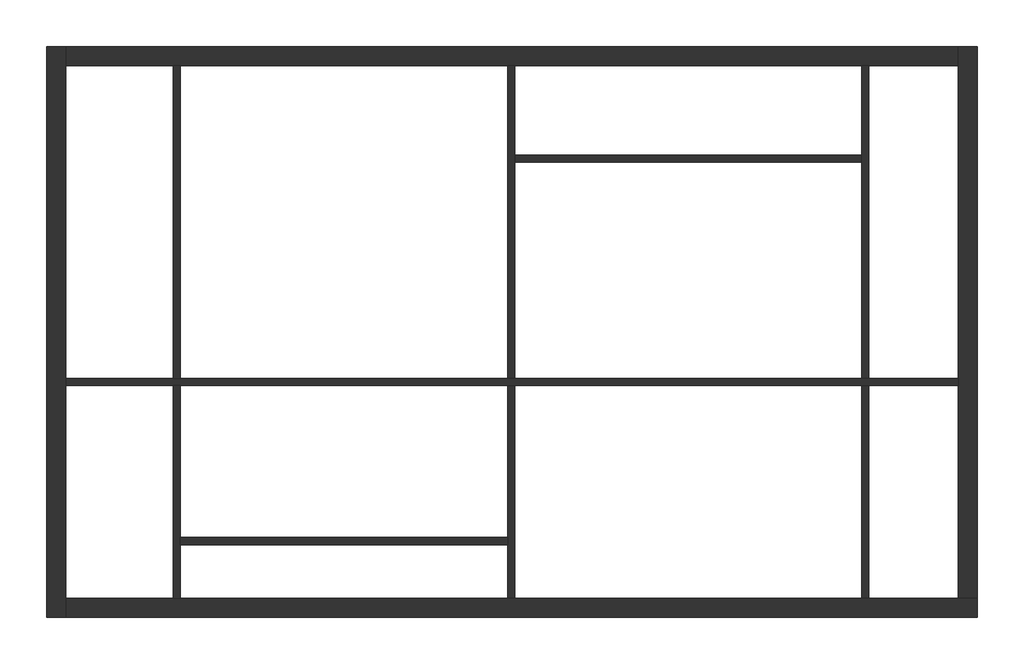
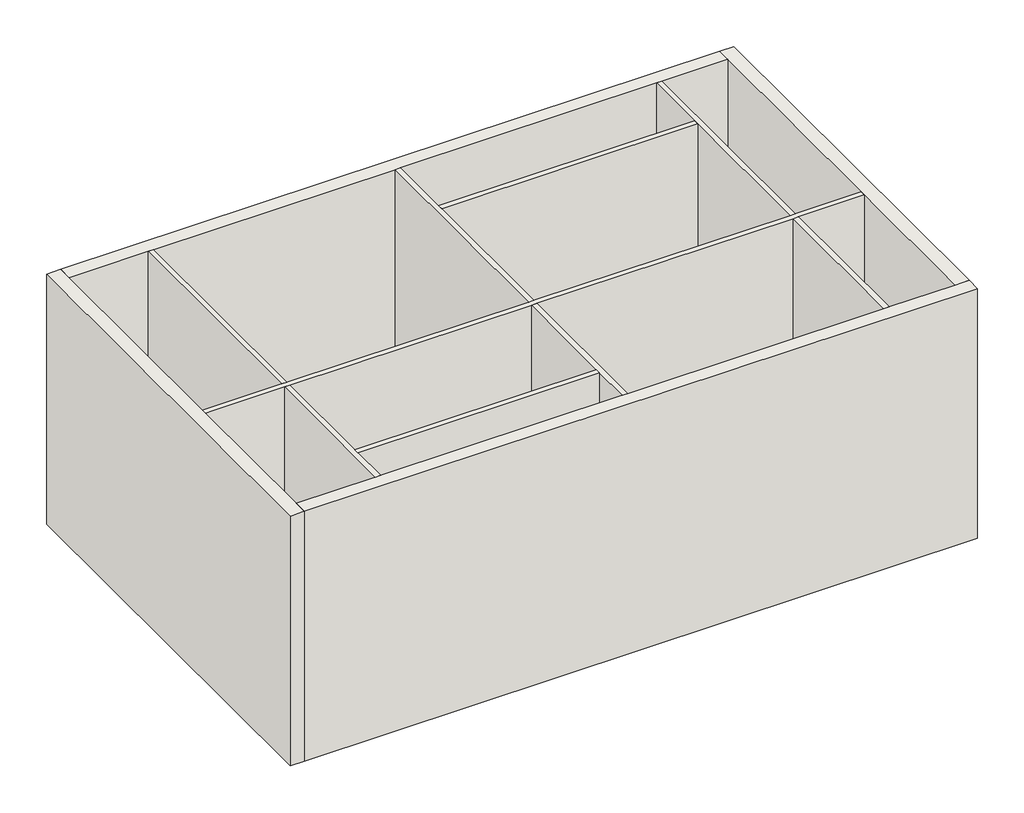
# One storey: 10 walls.
"""IFC4 building model written with IfcOpenShell, lengths in millimetres."""

import ifcopenshell
import ifcopenshell.guid

model = None  # the IFC model being written
_history = None  # IfcOwnerHistory: only IFC2X3 demands one
_inside = {}  # id of a spatial element -> (the spatial element, [elements in it])
_under = {}  # id of a project, library or spatial element -> (it, [spatial elements below it])
_declared = {}  # id of a project -> (the project, [libraries it declares])
_typed = {}  # id of a type object -> (the type object, [elements of that type])
_made_of = {}  # id of a material, layer set ... -> (it, [elements and type objects made of it])


def new_model(schema):
    """Start an empty IFC model of exactly this schema.

    Asked for "IFC4X3", IfcOpenShell would pick the latest addendum, in which some entities
    have other attributes; the version numbers below select the first issue.
    IFC2X3 requires an IfcOwnerHistory on every rooted entity: one is made here for all.
    """
    global model, _history
    if schema == "IFC4X3":
        model = ifcopenshell.file(schema_version=(4, 3, 0, 0))
    else:
        model = ifcopenshell.file(schema=schema)
    _inside.clear()
    _under.clear()
    _declared.clear()
    _typed.clear()
    _made_of.clear()
    _history = None
    if model.schema == "IFC2X3":
        org = make("IfcOrganization", Name="unknown")
        user = make(
            "IfcPersonAndOrganization",
            ThePerson=make("IfcPerson", FamilyName="unknown"),
            TheOrganization=org,
        )
        app = make(
            "IfcApplication",
            ApplicationDeveloper=org,
            Version="unknown",
            ApplicationFullName="unknown",
            ApplicationIdentifier="unknown",
        )
        _history = make(
            "IfcOwnerHistory",
            OwningUser=user,
            OwningApplication=app,
            ChangeAction="ADDED",
            CreationDate=0,
        )
    return model


def make(cls, **values):
    """One entity of the class cls with the attributes given. An attribute that is None is left unset."""
    return model.create_entity(
        cls, **{name: value for name, value in values.items() if value is not None}
    )


def rooted(cls, **values):
    """An entity with a GlobalId (a new one), such as an element, a storey or a relation."""
    return make(cls, GlobalId=ifcopenshell.guid.new(), OwnerHistory=_history, **values)


def si_unit(unit_type, name, prefix=None):
    """IfcSIUnit, for example si_unit("LENGTHUNIT", "METRE", prefix="MILLI")."""
    return make("IfcSIUnit", UnitType=unit_type, Prefix=prefix, Name=name)


def assignment(units):
    """IfcUnitAssignment: the units of a project."""
    return None if units is None else make("IfcUnitAssignment", Units=units)


def point(xyz):
    """IfcCartesianPoint."""
    return None if xyz is None else make("IfcCartesianPoint", Coordinates=xyz)


def direction(xyz):
    """IfcDirection."""
    return None if xyz is None else make("IfcDirection", DirectionRatios=xyz)


def frame(location, z_axis=None, x_axis=None):
    """IfcAxis2Placement3D, a coordinate frame: its origin and axes. An axis left out is left unset."""
    return make(
        "IfcAxis2Placement3D",
        Location=point(location),
        Axis=direction(z_axis),
        RefDirection=direction(x_axis),
    )


def origin():
    """The frame at (0, 0, 0) with its axes left unset."""
    return frame((0.0, 0.0, 0.0))


def place(relative_to, where):
    """IfcLocalPlacement: puts the frame where relative to a parent placement (None: the world)."""
    return make(
        "IfcLocalPlacement", PlacementRelTo=relative_to, RelativePlacement=where
    )


def context(
    kind, dimensions, precision=None, world=None, true_north=None, identifier=None
):
    """IfcGeometricRepresentationContext, for example the 3D "Model" context."""
    return make(
        "IfcGeometricRepresentationContext",
        ContextIdentifier=identifier,
        ContextType=kind,
        CoordinateSpaceDimension=dimensions,
        Precision=precision,
        WorldCoordinateSystem=world,
        TrueNorth=true_north,
    )


def project(units=None, contexts=None):
    """IfcProject with its units and contexts."""
    return rooted(
        "IfcProject",
        Name="project",
        RepresentationContexts=contexts,
        UnitsInContext=assignment(units),
    )


def spatial(cls, under=None, at=None, **own):
    """A site, building, storey or space (cls), placed at a placement, below another one or the project."""
    s = rooted(cls, ObjectPlacement=at, **own)
    if under is not None:
        _under.setdefault(under.id(), (under, []))[1].append(s)
    return s


def polyline(points):
    """IfcPolyline through the points."""
    return make("IfcPolyline", Points=[point(p) for p in points])


def outline(outer, holes=None, kind="AREA"):
    """IfcArbitraryClosedProfileDef: a profile drawn as a closed curve; with holes, ...WithVoids."""
    if holes is None:
        return make("IfcArbitraryClosedProfileDef", ProfileType=kind, OuterCurve=outer)
    return make(
        "IfcArbitraryProfileDefWithVoids",
        ProfileType=kind,
        OuterCurve=outer,
        InnerCurves=holes,
    )


def extrude(swept, where, along, depth):
    """IfcExtrudedAreaSolid: the profile swept, set in the frame where, extruded along a direction by depth."""
    return make(
        "IfcExtrudedAreaSolid",
        SweptArea=swept,
        Position=where,
        ExtrudedDirection=direction(along),
        Depth=depth,
    )


def faces_of(points, faces, orient=None, outer=None):
    """IfcFace entities. A face is a list of loops; a loop is a list of indices into points, from 0.

    orient and outer hold one flag for each loop. By default every Orientation is true, the
    first loop of a face is its IfcFaceOuterBound and the others are IfcFaceBound.
    """
    made = []
    for i, loops in enumerate(faces):
        bounds = []
        for j, loop in enumerate(loops):
            is_outer = j == 0 if outer is None else outer[i][j]
            bounds.append(
                make(
                    "IfcFaceOuterBound" if is_outer else "IfcFaceBound",
                    Bound=make("IfcPolyLoop", Polygon=[points[k] for k in loop]),
                    Orientation=True if orient is None else orient[i][j],
                )
            )
        made.append(make("IfcFace", Bounds=bounds))
    return made


def faceted_brep(points, faces, orient=None, outer=None, voids=None):
    """IfcFacetedBrep: a solid bounded by flat faces; with voids (closed shells), ...WithVoids."""
    shared = [point(p) for p in points]
    hull = make("IfcClosedShell", CfsFaces=faces_of(shared, faces, orient, outer))
    if voids is None:
        return make("IfcFacetedBrep", Outer=hull)
    return make(
        "IfcFacetedBrepWithVoids",
        Outer=hull,
        Voids=[
            make(cls, CfsFaces=faces_of(shared, fs, o, b)) for cls, fs, o, b in voids
        ],
    )


def shape(context_of_items, identifier, shape_type, items):
    """IfcShapeRepresentation: the items that make up one representation, for example the "Body"."""
    return make(
        "IfcShapeRepresentation",
        ContextOfItems=context_of_items,
        RepresentationIdentifier=identifier,
        RepresentationType=shape_type,
        Items=items,
    )


def made_of(thing, what):
    """Note that an element or type object is made of a material, layer set ...; save() writes the relation."""
    if what is not None:
        _made_of.setdefault(what.id(), (what, []))[1].append(thing)
    return thing


def element(
    cls,
    number,
    at=None,
    inside=None,
    cuts=None,
    type_object=None,
    material=None,
    context=None,
    identifier="Body",
    shape_type=None,
    held_by="IfcProductDefinitionShape",
    body=None,
    shapes=None,
    **own,
):
    """One element of the class cls, such as IfcWall. Its Tag is "e" and its number.

    at: its placement. inside: the storey or other place that contains it. cuts: it is an
    opening in that element (IfcRelVoidsElement). A single representation is given by context,
    identifier, shape_type and body (its items); several are given by shapes. held_by: the class
    of the entity that holds the representations. save() writes the other relations.
    """
    e = rooted(cls, Tag="e%d" % number, ObjectPlacement=at, **own)
    if body is not None:
        shapes = [shape(context, identifier, shape_type, body)]
    if shapes is not None:
        e.Representation = make(held_by, Representations=shapes)
    if inside is not None:
        _inside.setdefault(inside.id(), (inside, []))[1].append(e)
    if cuts is not None:
        rooted(
            "IfcRelVoidsElement", RelatingBuildingElement=cuts, RelatedOpeningElement=e
        )
    if type_object is not None:
        _typed.setdefault(type_object.id(), (type_object, []))[1].append(e)
    return made_of(e, material)


def aggregate(whole, parts):
    """IfcRelAggregates: a whole, such as a stair, and the parts it consists of."""
    return rooted("IfcRelAggregates", RelatingObject=whole, RelatedObjects=parts)


def save(model, path):
    """Write the relations noted so far, then the file.

    IfcRelAggregates (storeys below a building ...), IfcRelContainedInSpatialStructure (elements
    in a storey), IfcRelDefinesByType, IfcRelAssociatesMaterial and IfcRelDeclares: one each for
    every whole, place, type object, material and project.
    """
    for whole, parts in _under.values():
        aggregate(whole, parts)
    for where, things in _inside.values():
        rooted(
            "IfcRelContainedInSpatialStructure",
            RelatedElements=things,
            RelatingStructure=where,
        )
    for kind, things in _typed.values():
        rooted("IfcRelDefinesByType", RelatedObjects=things, RelatingType=kind)
    for what, things in _made_of.values():
        rooted("IfcRelAssociatesMaterial", RelatedObjects=things, RelatingMaterial=what)
    for by, libraries in _declared.values():
        rooted("IfcRelDeclares", RelatingContext=by, RelatedDefinitions=libraries)
    model.write(path)


model = new_model("IFC4")

# Units and contexts
model_context = context("Model", 3, world=origin())
ifc_project = project(units=[si_unit("LENGTHUNIT", "METRE", prefix="MILLI")], contexts=[model_context])

# Site, building, storey
site = spatial("IfcSite", under=ifc_project)
building = spatial("IfcBuilding", under=site)
storey = spatial("IfcBuildingStorey", under=building, Elevation=8000.0)

# Walls
placement = place(None, origin())
element("IfcWall", 1, at=placement, inside=storey, context=model_context, shape_type="Brep", body=[
    faceted_brep([(-3948.8295203, 13550.2038861, 8000.0), (-3948.8295203, 7162.2038861, 8000.0), (-3948.8295203, 7162.2038861, 12000.0), (-3948.8295203, 13550.2038861, 12000.0), (-3734.8295203, 13550.2038861, 8000.0), (-3734.8295203, 13550.2038861, 12000.0), (-3734.8295203, 13336.2038861, 12000.0), (-3734.8295203, 9836.2038861, 12000.0), (-3734.8295203, 9756.2038861, 12000.0), (-3734.8295203, 7376.2038861, 12000.0), (-3734.8295203, 7162.2038861, 12000.0), (-3734.8295203, 7162.2038861, 8000.0), (-3734.8295203, 7376.2038861, 8000.0), (-3734.8295203, 9756.2038861, 8000.0), (-3734.8295203, 9836.2038861, 8000.0), (-3734.8295203, 13336.2038861, 8000.0)], [[[0, 1, 2, 3]], [[4, 5, 6, 7, 8, 9, 10, 11, 12, 13, 14, 15]], [[1, 0, 4, 15, 14, 13, 12, 11]], [[3, 2, 10, 9, 8, 7, 6, 5]], [[0, 3, 5, 4]], [[2, 1, 11, 10]]]),
])
element("IfcWall", 2, at=placement, inside=storey, context=model_context, shape_type="Brep", body=[
    faceted_brep([(-3734.8295203, 7162.2038861, 8000.0), (6459.1704797, 7162.2038861, 8000.0), (6459.1704797, 7162.2038861, 12000.0), (-3734.8295203, 7162.2038861, 12000.0), (-3734.8295203, 7376.2038861, 8000.0), (-3734.8295203, 7376.2038861, 12000.0), (-2534.8295203, 7376.2038861, 12000.0), (-2454.8295203, 7376.2038861, 12000.0), (1205.1704797, 7376.2038861, 12000.0), (1285.1704797, 7376.2038861, 12000.0), (5165.1704797, 7376.2038861, 12000.0), (5245.1704797, 7376.2038861, 12000.0), (6245.1704797, 7376.2038861, 12000.0), (6459.1704797, 7376.2038861, 12000.0), (6459.1704797, 7376.2038861, 8000.0), (6245.1704797, 7376.2038861, 8000.0), (5245.1704797, 7376.2038861, 8000.0), (5165.1704797, 7376.2038861, 8000.0), (1285.1704797, 7376.2038861, 8000.0), (1205.1704797, 7376.2038861, 8000.0), (-2454.8295203, 7376.2038861, 8000.0), (-2534.8295203, 7376.2038861, 8000.0)], [[[0, 1, 2, 3]], [[4, 5, 6, 7, 8, 9, 10, 11, 12, 13, 14, 15, 16, 17, 18, 19, 20, 21]], [[1, 0, 4, 21, 20, 19, 18, 17, 16, 15, 14]], [[3, 2, 13, 12, 11, 10, 9, 8, 7, 6, 5]], [[2, 1, 14, 13]], [[0, 3, 5, 4]]]),
])
element("IfcWall", 3, at=placement, inside=storey, context=model_context, shape_type="Brep", body=[
    faceted_brep([(6459.1704797, 7376.2038861, 8000.0), (6459.1704797, 13550.2038861, 8000.0), (6459.1704797, 13550.2038861, 12000.0), (6459.1704797, 7376.2038861, 12000.0), (6245.1704797, 7376.2038861, 8000.0), (6245.1704797, 7376.2038861, 12000.0), (6245.1704797, 9756.2038861, 12000.0), (6245.1704797, 9836.2038861, 12000.0), (6245.1704797, 13336.2038861, 12000.0), (6245.1704797, 13550.2038861, 12000.0), (6245.1704797, 13550.2038861, 8000.0), (6245.1704797, 13336.2038861, 8000.0), (6245.1704797, 9836.2038861, 8000.0), (6245.1704797, 9756.2038861, 8000.0)], [[[0, 1, 2, 3]], [[4, 5, 6, 7, 8, 9, 10, 11, 12, 13]], [[1, 0, 4, 13, 12, 11, 10]], [[3, 2, 9, 8, 7, 6, 5]], [[2, 1, 10, 9]], [[0, 3, 5, 4]]]),
])
element("IfcWall", 4, at=placement, inside=storey, context=model_context, shape_type="Brep", body=[
    faceted_brep([(6245.1704797, 13550.2038861, 8000.0), (-3734.8295203, 13550.2038861, 8000.0), (-3734.8295203, 13550.2038861, 12000.0), (6245.1704797, 13550.2038861, 12000.0), (6245.1704797, 13336.2038861, 8000.0), (6245.1704797, 13336.2038861, 12000.0), (5245.1704797, 13336.2038861, 12000.0), (5165.1704797, 13336.2038861, 12000.0), (1285.1704797, 13336.2038861, 12000.0), (1205.1704797, 13336.2038861, 12000.0), (-2454.8295203, 13336.2038861, 12000.0), (-2534.8295203, 13336.2038861, 12000.0), (-3734.8295203, 13336.2038861, 12000.0), (-3734.8295203, 13336.2038861, 8000.0), (-2534.8295203, 13336.2038861, 8000.0), (-2454.8295203, 13336.2038861, 8000.0), (1205.1704797, 13336.2038861, 8000.0), (1285.1704797, 13336.2038861, 8000.0), (5165.1704797, 13336.2038861, 8000.0), (5245.1704797, 13336.2038861, 8000.0)], [[[0, 1, 2, 3]], [[4, 5, 6, 7, 8, 9, 10, 11, 12, 13, 14, 15, 16, 17, 18, 19]], [[1, 0, 4, 19, 18, 17, 16, 15, 14, 13]], [[3, 2, 12, 11, 10, 9, 8, 7, 6, 5]], [[0, 3, 5, 4]], [[2, 1, 13, 12]]]),
])
element("IfcWall", 5, at=placement, inside=storey, context=model_context, shape_type="Brep", body=[
    faceted_brep([(-3734.8295203, 9756.2038861, 8000.0), (-2534.8295203, 9756.2038861, 8000.0), (-2454.8295203, 9756.2038861, 8000.0), (1205.1704797, 9756.2038861, 8000.0), (1285.1704797, 9756.2038861, 8000.0), (5165.1704797, 9756.2038861, 8000.0), (5245.1704797, 9756.2038861, 8000.0), (6245.1704797, 9756.2038861, 8000.0), (6245.1704797, 9756.2038861, 12000.0), (5245.1704797, 9756.2038861, 12000.0), (5165.1704797, 9756.2038861, 12000.0), (1285.1704797, 9756.2038861, 12000.0), (1205.1704797, 9756.2038861, 12000.0), (-2454.8295203, 9756.2038861, 12000.0), (-2534.8295203, 9756.2038861, 12000.0), (-3734.8295203, 9756.2038861, 12000.0), (-3734.8295203, 9836.2038861, 8000.0), (-3734.8295203, 9836.2038861, 12000.0), (-2534.8295203, 9836.2038861, 12000.0), (-2454.8295203, 9836.2038861, 12000.0), (1205.1704797, 9836.2038861, 12000.0), (1285.1704797, 9836.2038861, 12000.0), (5165.1704797, 9836.2038861, 12000.0), (5245.1704797, 9836.2038861, 12000.0), (6245.1704797, 9836.2038861, 12000.0), (6245.1704797, 9836.2038861, 8000.0), (5245.1704797, 9836.2038861, 8000.0), (5165.1704797, 9836.2038861, 8000.0), (1285.1704797, 9836.2038861, 8000.0), (1205.1704797, 9836.2038861, 8000.0), (-2454.8295203, 9836.2038861, 8000.0), (-2534.8295203, 9836.2038861, 8000.0)], [[[0, 1, 2, 3, 4, 5, 6, 7, 8, 9, 10, 11, 12, 13, 14, 15]], [[16, 17, 18, 19, 20, 21, 22, 23, 24, 25, 26, 27, 28, 29, 30, 31]], [[7, 6, 5, 4, 3, 2, 1, 0, 16, 31, 30, 29, 28, 27, 26, 25]], [[15, 14, 13, 12, 11, 10, 9, 8, 24, 23, 22, 21, 20, 19, 18, 17]], [[0, 15, 17, 16]], [[8, 7, 25, 24]]]),
])
element("IfcWall", 6, at=placement, inside=storey, context=model_context, shape_type="Brep", body=[
    faceted_brep([(-2534.8295203, 13336.2038861, 12000.0), (-2534.8295203, 13336.2038861, 8000.0), (-2534.8295203, 9836.2038861, 8000.0), (-2534.8295203, 9836.2038861, 12000.0), (-2454.8295203, 13336.2038861, 8000.0), (-2454.8295203, 13336.2038861, 12000.0), (-2454.8295203, 9836.2038861, 12000.0), (-2454.8295203, 9836.2038861, 8000.0)], [[[0, 1, 2, 3]], [[4, 5, 6, 7]], [[1, 4, 7, 2]], [[5, 0, 3, 6]], [[1, 0, 5, 4]], [[3, 2, 7, 6]]]),
    faceted_brep([(-2534.8295203, 7376.2038861, 8000.0), (-2534.8295203, 7376.2038861, 12000.0), (-2534.8295203, 9756.2038861, 12000.0), (-2534.8295203, 9756.2038861, 8000.0), (-2454.8295203, 7376.2038861, 12000.0), (-2454.8295203, 7376.2038861, 8000.0), (-2454.8295203, 7976.2038861, 8000.0), (-2454.8295203, 8056.2038861, 8000.0), (-2454.8295203, 9756.2038861, 8000.0), (-2454.8295203, 9756.2038861, 12000.0), (-2454.8295203, 8056.2038861, 12000.0), (-2454.8295203, 7976.2038861, 12000.0)], [[[0, 1, 2, 3]], [[4, 5, 6, 7, 8, 9, 10, 11]], [[5, 0, 3, 8, 7, 6]], [[1, 4, 11, 10, 9, 2]], [[3, 2, 9, 8]], [[1, 0, 5, 4]]]),
])
element("IfcWall", 7, at=placement, inside=storey, context=model_context, shape_type="Brep", body=[
    faceted_brep([(1205.1704797, 13336.2038861, 12000.0), (1205.1704797, 13336.2038861, 8000.0), (1205.1704797, 9836.2038861, 8000.0), (1205.1704797, 9836.2038861, 12000.0), (1285.1704797, 13336.2038861, 8000.0), (1285.1704797, 13336.2038861, 12000.0), (1285.1704797, 12336.2038861, 12000.0), (1285.1704797, 12256.2038861, 12000.0), (1285.1704797, 9836.2038861, 12000.0), (1285.1704797, 9836.2038861, 8000.0), (1285.1704797, 12256.2038861, 8000.0), (1285.1704797, 12336.2038861, 8000.0)], [[[0, 1, 2, 3]], [[4, 5, 6, 7, 8, 9, 10, 11]], [[1, 4, 11, 10, 9, 2]], [[5, 0, 3, 8, 7, 6]], [[1, 0, 5, 4]], [[3, 2, 9, 8]]]),
    faceted_brep([(1205.1704797, 7376.2038861, 8000.0), (1205.1704797, 7376.2038861, 12000.0), (1205.1704797, 7976.2038861, 12000.0), (1205.1704797, 8056.2038861, 12000.0), (1205.1704797, 9756.2038861, 12000.0), (1205.1704797, 9756.2038861, 8000.0), (1205.1704797, 8056.2038861, 8000.0), (1205.1704797, 7976.2038861, 8000.0), (1285.1704797, 7376.2038861, 12000.0), (1285.1704797, 7376.2038861, 8000.0), (1285.1704797, 9756.2038861, 8000.0), (1285.1704797, 9756.2038861, 12000.0)], [[[0, 1, 2, 3, 4, 5, 6, 7]], [[8, 9, 10, 11]], [[9, 0, 7, 6, 5, 10]], [[1, 8, 11, 4, 3, 2]], [[5, 4, 11, 10]], [[1, 0, 9, 8]]]),
])
element("IfcWall", 8, at=placement, inside=storey, context=model_context, shape_type="Brep", body=[
    faceted_brep([(5165.1704797, 13336.2038861, 12000.0), (5165.1704797, 13336.2038861, 8000.0), (5165.1704797, 12336.2038861, 8000.0), (5165.1704797, 12256.2038861, 8000.0), (5165.1704797, 9836.2038861, 8000.0), (5165.1704797, 9836.2038861, 12000.0), (5165.1704797, 12256.2038861, 12000.0), (5165.1704797, 12336.2038861, 12000.0), (5245.1704797, 13336.2038861, 8000.0), (5245.1704797, 13336.2038861, 12000.0), (5245.1704797, 9836.2038861, 12000.0), (5245.1704797, 9836.2038861, 8000.0)], [[[0, 1, 2, 3, 4, 5, 6, 7]], [[8, 9, 10, 11]], [[1, 8, 11, 4, 3, 2]], [[9, 0, 7, 6, 5, 10]], [[1, 0, 9, 8]], [[5, 4, 11, 10]]]),
    faceted_brep([(5165.1704797, 7376.2038861, 8000.0), (5165.1704797, 7376.2038861, 12000.0), (5165.1704797, 9756.2038861, 12000.0), (5165.1704797, 9756.2038861, 8000.0), (5245.1704797, 7376.2038861, 12000.0), (5245.1704797, 7376.2038861, 8000.0), (5245.1704797, 9756.2038861, 8000.0), (5245.1704797, 9756.2038861, 12000.0)], [[[0, 1, 2, 3]], [[4, 5, 6, 7]], [[5, 0, 3, 6]], [[1, 4, 7, 2]], [[3, 2, 7, 6]], [[1, 0, 5, 4]]]),
])
element("IfcWall", 9, at=placement, inside=storey, context=model_context, shape_type="SweptSolid", body=[
    extrude(outline(polyline([(1205.1704797, 7976.2038861), (-2454.8295203, 7976.2038861), (-2454.8295203, 8056.2038861), (1205.1704797, 8056.2038861), (1205.1704797, 7976.2038861)])), frame((0.0, 0.0, 8000.0), z_axis=(0.0, 0.0, 1.0), x_axis=(1.0, 0.0, 0.0)), (0.0, 0.0, 1.0), 4000.0),
])
element("IfcWall", 10, at=placement, inside=storey, context=model_context, shape_type="SweptSolid", body=[
    extrude(outline(polyline([(5165.1704797, 12256.2038861), (1285.1704797, 12256.2038861), (1285.1704797, 12336.2038861), (5165.1704797, 12336.2038861), (5165.1704797, 12256.2038861)])), frame((0.0, 0.0, 8000.0), z_axis=(0.0, 0.0, 1.0), x_axis=(1.0, 0.0, 0.0)), (0.0, 0.0, 1.0), 4000.0),
])

save(model, "model.ifc")
